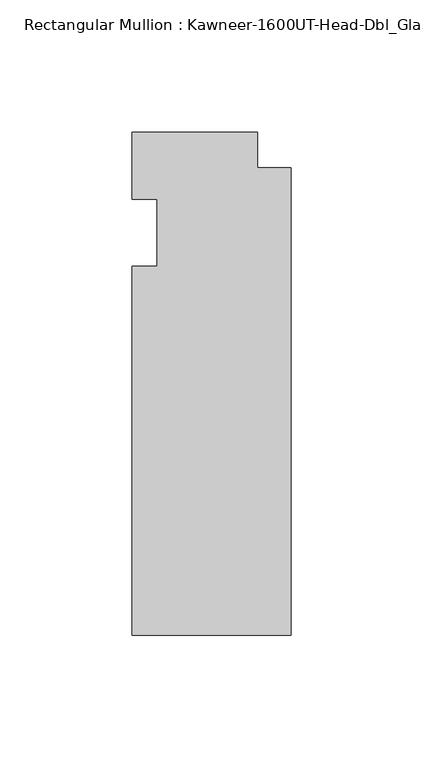
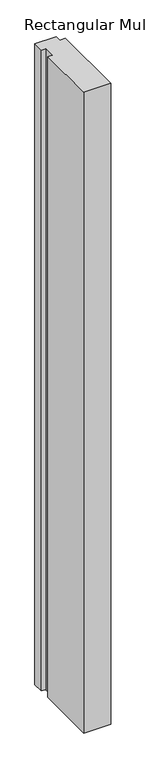
"""IFC4 building model written with IfcOpenShell, lengths in millimetres: member geometry."""

import ifcopenshell
import ifcopenshell.guid

model = None  # the IFC model being written
_history = None  # IfcOwnerHistory: only IFC2X3 demands one
_inside = {}  # id of a spatial element -> (the spatial element, [elements in it])
_under = {}  # id of a project, library or spatial element -> (it, [spatial elements below it])
_declared = {}  # id of a project -> (the project, [libraries it declares])
_typed = {}  # id of a type object -> (the type object, [elements of that type])
_made_of = {}  # id of a material, layer set ... -> (it, [elements and type objects made of it])


def new_model(schema):
    """Start an empty IFC model of exactly this schema.

    Asked for "IFC4X3", IfcOpenShell would pick the latest addendum, in which some entities
    have other attributes; the version numbers below select the first issue.
    IFC2X3 requires an IfcOwnerHistory on every rooted entity: one is made here for all.
    """
    global model, _history
    if schema == "IFC4X3":
        model = ifcopenshell.file(schema_version=(4, 3, 0, 0))
    else:
        model = ifcopenshell.file(schema=schema)
    _inside.clear()
    _under.clear()
    _declared.clear()
    _typed.clear()
    _made_of.clear()
    _history = None
    if model.schema == "IFC2X3":
        org = make("IfcOrganization", Name="unknown")
        user = make(
            "IfcPersonAndOrganization",
            ThePerson=make("IfcPerson", FamilyName="unknown"),
            TheOrganization=org,
        )
        app = make(
            "IfcApplication",
            ApplicationDeveloper=org,
            Version="unknown",
            ApplicationFullName="unknown",
            ApplicationIdentifier="unknown",
        )
        _history = make(
            "IfcOwnerHistory",
            OwningUser=user,
            OwningApplication=app,
            ChangeAction="ADDED",
            CreationDate=0,
        )
    return model


def make(cls, **values):
    """One entity of the class cls with the attributes given. An attribute that is None is left unset."""
    return model.create_entity(
        cls, **{name: value for name, value in values.items() if value is not None}
    )


def rooted(cls, **values):
    """An entity with a GlobalId (a new one), such as an element, a storey or a relation."""
    return make(cls, GlobalId=ifcopenshell.guid.new(), OwnerHistory=_history, **values)


def si_unit(unit_type, name, prefix=None):
    """IfcSIUnit, for example si_unit("LENGTHUNIT", "METRE", prefix="MILLI")."""
    return make("IfcSIUnit", UnitType=unit_type, Prefix=prefix, Name=name)


def assignment(units):
    """IfcUnitAssignment: the units of a project."""
    return None if units is None else make("IfcUnitAssignment", Units=units)


def point(xyz):
    """IfcCartesianPoint."""
    return None if xyz is None else make("IfcCartesianPoint", Coordinates=xyz)


def direction(xyz):
    """IfcDirection."""
    return None if xyz is None else make("IfcDirection", DirectionRatios=xyz)


def frame(location, z_axis=None, x_axis=None):
    """IfcAxis2Placement3D, a coordinate frame: its origin and axes. An axis left out is left unset."""
    return make(
        "IfcAxis2Placement3D",
        Location=point(location),
        Axis=direction(z_axis),
        RefDirection=direction(x_axis),
    )


def origin():
    """The frame at (0, 0, 0) with its axes left unset."""
    return frame((0.0, 0.0, 0.0))


def place(relative_to, where):
    """IfcLocalPlacement: puts the frame where relative to a parent placement (None: the world)."""
    return make(
        "IfcLocalPlacement", PlacementRelTo=relative_to, RelativePlacement=where
    )


def context(
    kind, dimensions, precision=None, world=None, true_north=None, identifier=None
):
    """IfcGeometricRepresentationContext, for example the 3D "Model" context."""
    return make(
        "IfcGeometricRepresentationContext",
        ContextIdentifier=identifier,
        ContextType=kind,
        CoordinateSpaceDimension=dimensions,
        Precision=precision,
        WorldCoordinateSystem=world,
        TrueNorth=true_north,
    )


def project(units=None, contexts=None):
    """IfcProject with its units and contexts."""
    return rooted(
        "IfcProject",
        Name="project",
        RepresentationContexts=contexts,
        UnitsInContext=assignment(units),
    )


def spatial(cls, under=None, at=None, **own):
    """A site, building, storey or space (cls), placed at a placement, below another one or the project."""
    s = rooted(cls, ObjectPlacement=at, **own)
    if under is not None:
        _under.setdefault(under.id(), (under, []))[1].append(s)
    return s


def polyline(points):
    """IfcPolyline through the points."""
    return make("IfcPolyline", Points=[point(p) for p in points])


def outline(outer, holes=None, kind="AREA"):
    """IfcArbitraryClosedProfileDef: a profile drawn as a closed curve; with holes, ...WithVoids."""
    if holes is None:
        return make("IfcArbitraryClosedProfileDef", ProfileType=kind, OuterCurve=outer)
    return make(
        "IfcArbitraryProfileDefWithVoids",
        ProfileType=kind,
        OuterCurve=outer,
        InnerCurves=holes,
    )


def extrude(swept, where, along, depth):
    """IfcExtrudedAreaSolid: the profile swept, set in the frame where, extruded along a direction by depth."""
    return make(
        "IfcExtrudedAreaSolid",
        SweptArea=swept,
        Position=where,
        ExtrudedDirection=direction(along),
        Depth=depth,
    )


def shape(context_of_items, identifier, shape_type, items):
    """IfcShapeRepresentation: the items that make up one representation, for example the "Body"."""
    return make(
        "IfcShapeRepresentation",
        ContextOfItems=context_of_items,
        RepresentationIdentifier=identifier,
        RepresentationType=shape_type,
        Items=items,
    )


def source(mapping_origin, context_of_items, identifier, shape_type, items):
    """IfcRepresentationMap: a shape defined once, which mapped items show again and again."""
    return make(
        "IfcRepresentationMap",
        MappingOrigin=mapping_origin,
        MappedRepresentation=shape(context_of_items, identifier, shape_type, items),
    )


def transform(
    local_origin,
    x_axis=None,
    y_axis=None,
    z_axis=None,
    scale=None,
    scale2=None,
    scale3=None,
    uniform=True,
):
    """IfcCartesianTransformationOperator3D, or its non-uniform kind. x_axis, y_axis, z_axis: its Axis1, 2, 3."""
    if uniform:
        return make(
            "IfcCartesianTransformationOperator3D",
            Axis1=direction(x_axis),
            Axis2=direction(y_axis),
            LocalOrigin=point(local_origin),
            Scale=scale,
            Axis3=direction(z_axis),
        )
    return make(
        "IfcCartesianTransformationOperator3DnonUniform",
        Axis1=direction(x_axis),
        Axis2=direction(y_axis),
        LocalOrigin=point(local_origin),
        Scale=scale,
        Axis3=direction(z_axis),
        Scale2=scale2,
        Scale3=scale3,
    )


def mapped(mapping_source, mapping_target):
    """IfcMappedItem: shows the shape of a source again, moved by a transform."""
    return make(
        "IfcMappedItem", MappingSource=mapping_source, MappingTarget=mapping_target
    )


def made_of(thing, what):
    """Note that an element or type object is made of a material, layer set ...; save() writes the relation."""
    if what is not None:
        _made_of.setdefault(what.id(), (what, []))[1].append(thing)
    return thing


def element(
    cls,
    number,
    at=None,
    inside=None,
    cuts=None,
    type_object=None,
    material=None,
    context=None,
    identifier="Body",
    shape_type=None,
    held_by="IfcProductDefinitionShape",
    body=None,
    shapes=None,
    **own,
):
    """One element of the class cls, such as IfcWall. Its Tag is "e" and its number.

    at: its placement. inside: the storey or other place that contains it. cuts: it is an
    opening in that element (IfcRelVoidsElement). A single representation is given by context,
    identifier, shape_type and body (its items); several are given by shapes. held_by: the class
    of the entity that holds the representations. save() writes the other relations.
    """
    e = rooted(cls, Tag="e%d" % number, ObjectPlacement=at, **own)
    if body is not None:
        shapes = [shape(context, identifier, shape_type, body)]
    if shapes is not None:
        e.Representation = make(held_by, Representations=shapes)
    if inside is not None:
        _inside.setdefault(inside.id(), (inside, []))[1].append(e)
    if cuts is not None:
        rooted(
            "IfcRelVoidsElement", RelatingBuildingElement=cuts, RelatedOpeningElement=e
        )
    if type_object is not None:
        _typed.setdefault(type_object.id(), (type_object, []))[1].append(e)
    return made_of(e, material)


def aggregate(whole, parts):
    """IfcRelAggregates: a whole, such as a stair, and the parts it consists of."""
    return rooted("IfcRelAggregates", RelatingObject=whole, RelatedObjects=parts)


def save(model, path):
    """Write the relations noted so far, then the file.

    IfcRelAggregates (storeys below a building ...), IfcRelContainedInSpatialStructure (elements
    in a storey), IfcRelDefinesByType, IfcRelAssociatesMaterial and IfcRelDeclares: one each for
    every whole, place, type object, material and project.
    """
    for whole, parts in _under.values():
        aggregate(whole, parts)
    for where, things in _inside.values():
        rooted(
            "IfcRelContainedInSpatialStructure",
            RelatedElements=things,
            RelatingStructure=where,
        )
    for kind, things in _typed.values():
        rooted("IfcRelDefinesByType", RelatedObjects=things, RelatingType=kind)
    for what, things in _made_of.values():
        rooted("IfcRelAssociatesMaterial", RelatedObjects=things, RelatingMaterial=what)
    for by, libraries in _declared.values():
        rooted("IfcRelDeclares", RelatingContext=by, RelatedDefinitions=libraries)
    model.write(path)


def member_6a52413d(model_context):
    return source(origin(), model_context, "Body", "SweptSolid", [
        extrude(outline(polyline([(-60.325, -12.7), (-50.8, -12.7), (-50.8, 12.7), (-60.325, 12.7), (-60.325, 38.1), (-12.7, 38.1), (-12.7, 24.60625), (0.0, 24.60625), (0.0, -152.4), (-60.325, -152.4), (-60.325, -12.7)])), frame((0.0, 0.0, -1524.0), z_axis=(0.0, 0.0, 1.0), x_axis=(1.0, 0.0, 0.0)), (0.0, 0.0, 1.0), 1524.0),
    ])


if __name__ == "__main__":
    model = new_model("IFC4")
    model_context = context("Model", 3, world=origin())
    ifc_project = project(units=[si_unit("LENGTHUNIT", "METRE", prefix="MILLI")], contexts=[model_context])
    site = spatial("IfcSite", under=ifc_project)
    building = spatial("IfcBuilding", under=site)
    placement = place(None, origin())
    member_shape = member_6a52413d(model_context)
    element("IfcMember", 1, ObjectType="Rectangular Mullion : Kawneer-1600UT-Head-Dbl_Glass-7_1/2\"", at=placement, inside=building, context=model_context, shape_type="MappedRepresentation", body=[
        mapped(member_shape, transform((0.0, 0.0, 0.0), x_axis=(1.0, 0.0, 0.0), y_axis=(0.0, 1.0, 0.0), z_axis=(0.0, 0.0, 1.0))),
    ])
    save(model, "model.ifc")
